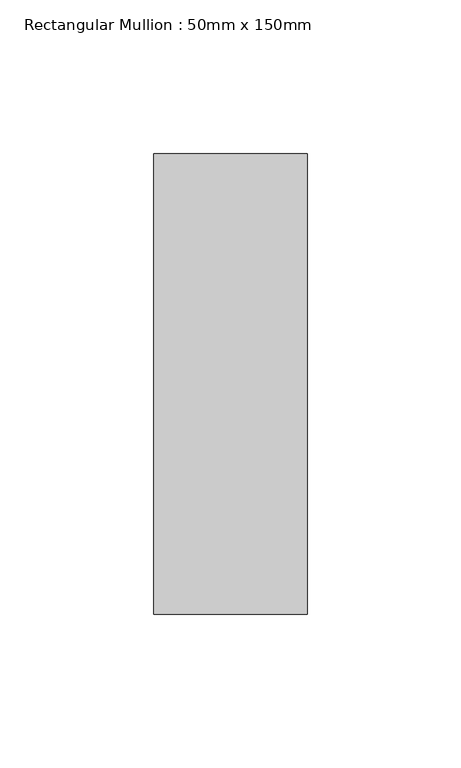
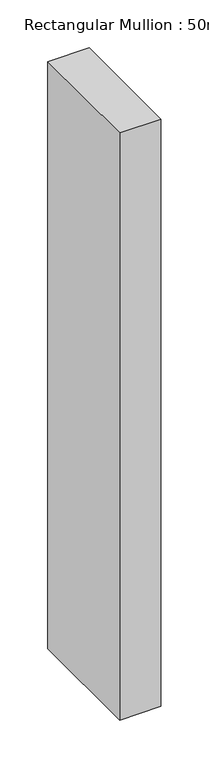
"""IFC4 building model written with IfcOpenShell, lengths in millimetres: member geometry, Rectangular Mullion : 50mm x 150mm."""

from ifc_helpers import new_model, si_unit, frame, origin, place, context, project, spatial, polyline, outline, extrude, source, transform, mapped, element, save


def rectangular_mullion_50mm_x_150mm_457f9466(model_context):
    return source(origin(), model_context, "Body", "SweptSolid", [
        extrude(outline(polyline([(25.0, 75.0), (25.0, -75.0), (-25.0, -75.0), (-25.0, 75.0), (25.0, 75.0)])), frame((0.0, 0.0, -750.0), z_axis=(0.0, 0.0, 1.0), x_axis=(1.0, 0.0, 0.0)), (0.0, 0.0, 1.0), 750.0),
    ])


if __name__ == "__main__":
    model = new_model("IFC4")
    model_context = context("Model", 3, world=origin())
    ifc_project = project(units=[si_unit("LENGTHUNIT", "METRE", prefix="MILLI")], contexts=[model_context])
    site = spatial("IfcSite", under=ifc_project)
    building = spatial("IfcBuilding", under=site)
    placement = place(None, origin())
    rectangular_mullion_50mm_x_150mm_shape = rectangular_mullion_50mm_x_150mm_457f9466(model_context)
    element("IfcMember", 1, ObjectType="Rectangular Mullion : 50mm x 150mm", at=placement, inside=building, context=model_context, shape_type="MappedRepresentation", body=[
        mapped(rectangular_mullion_50mm_x_150mm_shape, transform((0.0, 0.0, 0.0), x_axis=(1.0, 0.0, 0.0), y_axis=(0.0, 1.0, 0.0), z_axis=(0.0, 0.0, 1.0))),
    ])
    save(model, "model.ifc")
